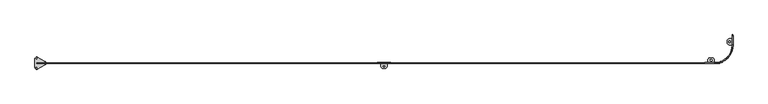
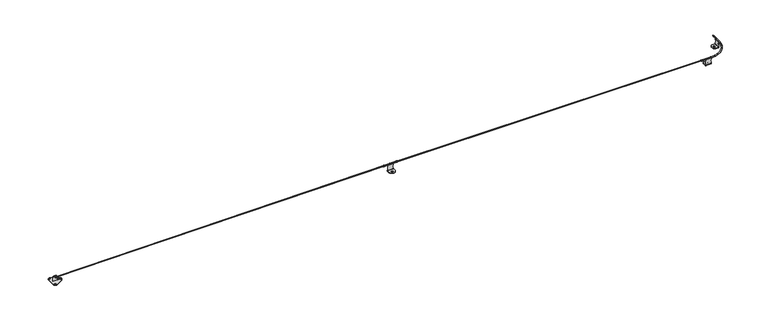
"""IFC4 building model written with IfcOpenShell, lengths in millimetres: proxy geometry."""

from ifc_helpers import new_model, si_unit, point, frame, frame_2d, origin, origin_with_axes, place, context, project, spatial, polyline, circle_curve, ellipse_curve, trimmed, segment, composite_curve, outline, extrude, source, transform, mapped, element, save
from ifc_brep_helpers import plane_surface, cylinder_surface, revolved_surface, extruded_surface, advanced_brep


def specialty_equipment_97768afd(model_context):
    return source(origin(), model_context, "Body", "SolidModel", [
        advanced_brep(
        [(8838.5, 362.0, 86.5), (8848.5, 362.0, 86.5), (8850.0, 350.0, 86.5), (8837.0, 350.0, 86.5), (8840.375, 350.0, 86.5), (8846.625, 350.0, 86.5), (8846.625, 362.0, 86.5), (8840.375, 362.0, 86.5)],
        [
            (0, 1, circle_curve(frame((8843.5, 362.0, 86.5), z_axis=(0.0, -1.0, 0.0), x_axis=(1.0, 0.0, 0.0)), 5.0)),
            (1, 2),
            (2, 3, circle_curve(frame((8843.5, 350.0, 86.5), z_axis=(0.0, 1.0, 0.0), x_axis=(1.0, 0.0, 0.0)), 6.5)),
            (3, 0),
            (4, 5, circle_curve(frame((8843.5, 350.0, 86.5), z_axis=(0.0, -1.0, 0.0), x_axis=(1.0, 0.0, 0.0)), 3.125)),
            (5, 6),
            (6, 7, circle_curve(frame((8843.5, 362.0, 86.5), z_axis=(0.0, 1.0, 0.0), x_axis=(1.0, 0.0, 0.0)), 3.125)),
            (7, 4),
            (2, 3, circle_curve(frame((8843.5, 350.0, 86.5), z_axis=(0.0, -1.0, 0.0), x_axis=(-1.0, 0.0, 0.0)), 6.5)),
            (4, 5, circle_curve(frame((8843.5, 350.0, 86.5), z_axis=(0.0, 1.0, 0.0), x_axis=(-1.0, 0.0, 0.0)), 3.125)),
            (1, 0, circle_curve(frame((8843.5, 362.0, 86.5), z_axis=(0.0, -1.0, 0.0), x_axis=(-1.0, 0.0, 0.0)), 5.0)),
            (6, 7, circle_curve(frame((8843.5, 362.0, 86.5), z_axis=(0.0, -1.0, 0.0), x_axis=(-1.0, 0.0, 0.0)), 3.125)),
        ],
        [
            revolved_surface(polyline([(8850.0, 350.0, 86.5), (8848.5, 362.0, 86.5)]), (8843.5, 350.0, 86.5), (0.0, 1.0, 0.0)),
            revolved_surface(polyline([(8846.625, 362.0, 86.5), (8846.625, 350.0, 86.5)]), (8843.5, 350.0, 86.5), (0.0, 1.0, 0.0)),
            plane_surface(frame((8843.5, 350.0, 86.5), z_axis=(0.0, -1.0, 0.0), x_axis=(-1.0, 0.0, 0.0))),
            revolved_surface(polyline([(8837.0, 350.0, 86.5), (8838.5, 362.0, 86.5)]), (8843.5, 350.0, 86.5), (0.0, 1.0, 0.0)),
            plane_surface(frame((8843.5, 362.0, 86.5), z_axis=(0.0, 1.0, 0.0), x_axis=(-1.0, 0.0, 0.0))),
            revolved_surface(polyline([(8840.375, 362.0, 86.5), (8840.375, 350.0, 86.5)]), (8843.5, 350.0, 86.5), (0.0, 1.0, 0.0)),
        ],
        [
            (0, [[1, 2, 3, 4]]),
            (1, [[5, 6, 7, 8]]),
            (2, [[9, -3], [10, -5]]),
            (3, [[11, -4, -9, -2]]),
            (4, [[-11, -1], [12, -7]]),
            (5, [[-10, -8, -12, -6]]),
        ],
    ),
        advanced_brep(
        [(8481.5, -5.0, 86.5), (8481.5, 5.0, 86.5), (8493.5, 6.5, 86.5), (8493.5, -6.5, 86.5), (8493.5, -3.125, 86.5), (8493.5, 3.125, 86.5), (8481.5, 3.125, 86.5), (8481.5, -3.125, 86.5)],
        [
            (0, 1, circle_curve(frame((8481.5, 0.0, 86.5), z_axis=(1.0, 0.0, 0.0), x_axis=(0.0, 1.0, 0.0)), 5.0)),
            (1, 2),
            (2, 3, circle_curve(frame((8493.5, 0.0, 86.5), z_axis=(-1.0, 0.0, 0.0), x_axis=(0.0, 1.0, 0.0)), 6.5)),
            (3, 0),
            (4, 5, circle_curve(frame((8493.5, 0.0, 86.5), z_axis=(1.0, 0.0, 0.0), x_axis=(0.0, 1.0, 0.0)), 3.125)),
            (5, 6),
            (6, 7, circle_curve(frame((8481.5, 0.0, 86.5), z_axis=(-1.0, 0.0, 0.0), x_axis=(0.0, 1.0, 0.0)), 3.125)),
            (7, 4),
            (2, 3, circle_curve(frame((8493.5, 0.0, 86.5), z_axis=(1.0, 0.0, 0.0), x_axis=(0.0, -1.0, 0.0)), 6.5)),
            (4, 5, circle_curve(frame((8493.5, 0.0, 86.5), z_axis=(-1.0, 0.0, 0.0), x_axis=(0.0, -1.0, 0.0)), 3.125)),
            (1, 0, circle_curve(frame((8481.5, 0.0, 86.5), z_axis=(1.0, 0.0, 0.0), x_axis=(0.0, -1.0, 0.0)), 5.0)),
            (6, 7, circle_curve(frame((8481.5, 0.0, 86.5), z_axis=(1.0, 0.0, 0.0), x_axis=(0.0, -1.0, 0.0)), 3.125)),
        ],
        [
            revolved_surface(polyline([(8493.5, 6.5, 86.5), (8481.5, 5.0, 86.5)]), (8493.5, 0.0, 86.5), (-1.0, 0.0, 0.0)),
            revolved_surface(polyline([(8481.5, 3.125, 86.5), (8493.5, 3.125, 86.5)]), (8493.5, 0.0, 86.5), (-1.0, 0.0, 0.0)),
            plane_surface(frame((8493.5, 0.0, 86.5), z_axis=(1.0, 0.0, 0.0), x_axis=(0.0, -1.0, 0.0))),
            revolved_surface(polyline([(8493.5, -6.5, 86.5), (8481.5, -5.0, 86.5)]), (8493.5, 0.0, 86.5), (-1.0, 0.0, 0.0)),
            plane_surface(frame((8481.5, 0.0, 86.5), z_axis=(-1.0, 0.0, 0.0), x_axis=(0.0, -1.0, 0.0))),
            revolved_surface(polyline([(8481.5, -3.125, 86.5), (8493.5, -3.125, 86.5)]), (8493.5, 0.0, 86.5), (-1.0, 0.0, 0.0)),
        ],
        [
            (0, [[1, 2, 3, 4]]),
            (1, [[5, 6, 7, 8]]),
            (2, [[9, -3], [10, -5]]),
            (3, [[11, -4, -9, -2]]),
            (4, [[-11, -1], [12, -7]]),
            (5, [[-10, -8, -12, -6]]),
        ],
    ),
        advanced_brep(
        [(8842.0, 312.3452378, 78.0), (8842.0, 312.3452378, 13.0), (8842.0, 312.3452378, 6.0), (8842.0, 232.3452378, 6.0), (8842.0, 232.3452378, 13.0), (8842.0, 232.3452378, 78.0), (8842.0, 232.3452378, 80.0), (8842.0, 312.3452378, 80.0), (8845.0, 312.3452378, 78.0), (8845.0, 312.3452378, 80.0), (8845.0, 232.3452378, 80.0), (8845.0, 232.3452378, 78.0), (8845.0, 232.3452378, 13.0), (8845.0, 232.3452378, 6.0), (8845.0, 312.3452378, 6.0), (8845.0, 312.3452378, 13.0), (8839.0, 312.3452378, 3.0), (8839.0, 312.3452378, 0.0), (8805.0, 312.3452378, 0.0), (8805.0, 312.3452378, 3.0), (8839.0, 232.3452378, 0.0), (8839.0, 232.3452378, 3.0), (8805.0, 232.3452378, 3.0), (8805.0, 232.3452378, 0.0), (8775.0, 262.3452378, 0.0), (8775.0, 282.3452378, 0.0), (8796.5, 276.8452378, 0.0), (8796.5, 267.8452378, 0.0), (8812.5, 267.8452378, 0.0), (8812.5, 276.8452378, 0.0), (8775.0, 282.3452378, 3.0), (8775.0, 262.3452378, 3.0), (8796.5, 276.8452378, 3.0), (8812.5, 276.8452378, 3.0), (8812.5, 267.8452378, 3.0), (8796.5, 267.8452378, 3.0)],
        [
            (0, 1, circle_curve(frame((8842.0, 374.3432216, 45.5), z_axis=(1.0, 0.0, 0.0), x_axis=(0.0, -1.0, 0.0)), 70.0)),
            (1, 2),
            (2, 3),
            (3, 4),
            (4, 5, circle_curve(frame((8842.0, 170.347254, 45.5), z_axis=(1.0, 0.0, 0.0), x_axis=(0.0, -1.0, 0.0)), 70.0)),
            (5, 6),
            (6, 7),
            (7, 0),
            (8, 9),
            (9, 10),
            (10, 11),
            (11, 12, circle_curve(frame((8845.0, 170.347254, 45.5), z_axis=(-1.0, 0.0, 0.0), x_axis=(0.0, -1.0, 0.0)), 70.0)),
            (12, 13),
            (13, 14),
            (14, 15),
            (15, 8, circle_curve(frame((8845.0, 374.3432216, 45.5), z_axis=(-1.0, 0.0, 0.0), x_axis=(0.0, -1.0, 0.0)), 70.0)),
            (0, 8),
            (15, 1),
            (4, 12),
            (11, 5),
            (10, 6),
            (9, 7),
            (16, 2, circle_curve(frame((8839.0, 312.3452378, 6.0), z_axis=(0.0, -1.0, 0.0), x_axis=(-1.0, 0.0, 0.0)), 3.0)),
            (14, 17, circle_curve(frame((8839.0, 312.3452378, 6.0), z_axis=(0.0, 1.0, 0.0), x_axis=(-1.0, 0.0, 0.0)), 6.0)),
            (17, 18),
            (18, 19),
            (19, 16),
            (20, 13, circle_curve(frame((8839.0, 232.3452378, 6.0), z_axis=(0.0, -1.0, 0.0), x_axis=(-1.0, 0.0, 0.0)), 6.0)),
            (3, 21, circle_curve(frame((8839.0, 232.3452378, 6.0), z_axis=(0.0, 1.0, 0.0), x_axis=(-1.0, 0.0, 0.0)), 3.0)),
            (21, 22),
            (22, 23),
            (23, 20),
            (16, 21),
            (20, 17),
            (23, 24, circle_curve(frame((8805.0, 262.3452378, 0.0), z_axis=(0.0, 0.0, -1.0), x_axis=(0.0, -1.0, 0.0)), 30.0)),
            (24, 25),
            (25, 18, circle_curve(frame((8805.0, 282.3452378, 0.0), z_axis=(0.0, 0.0, -1.0), x_axis=(0.0, -1.0, 0.0)), 30.0)),
            (26, 27),
            (27, 28, circle_curve(frame((8804.5, 267.8452378, 0.0), z_axis=(0.0, 0.0, 1.0), x_axis=(0.0, -1.0, 0.0)), 8.0)),
            (28, 29),
            (29, 26, circle_curve(frame((8804.5, 276.8452378, 0.0), z_axis=(0.0, 0.0, 1.0), x_axis=(0.0, -1.0, 0.0)), 8.0)),
            (19, 30, circle_curve(frame((8805.0, 282.3452378, 3.0), z_axis=(0.0, 0.0, 1.0), x_axis=(0.0, -1.0, 0.0)), 30.0)),
            (30, 31),
            (31, 22, circle_curve(frame((8805.0, 262.3452378, 3.0), z_axis=(0.0, 0.0, 1.0), x_axis=(0.0, -1.0, 0.0)), 30.0)),
            (32, 33, circle_curve(frame((8804.5, 276.8452378, 3.0), z_axis=(0.0, 0.0, -1.0), x_axis=(0.0, -1.0, 0.0)), 8.0)),
            (33, 34),
            (34, 35, circle_curve(frame((8804.5, 267.8452378, 3.0), z_axis=(0.0, 0.0, -1.0), x_axis=(0.0, -1.0, 0.0)), 8.0)),
            (35, 32),
            (31, 24),
            (30, 25),
            (35, 27),
            (26, 32),
            (34, 28),
            (33, 29),
        ],
        [
            plane_surface(frame((8842.0, 304.3432216, 45.5), z_axis=(-1.0, 0.0, 0.0), x_axis=(0.0, 0.0, -1.0))),
            plane_surface(frame((8845.0, 304.3432216, 45.5), z_axis=(1.0, 0.0, 0.0), x_axis=(0.0, 0.0, 1.0))),
            revolved_surface(polyline([(8845.0, 304.3432216, 45.5), (8842.0, 304.3432216, 45.5)]), (8845.0, 374.3432216, 45.5), (1.0, 0.0, 0.0)),
            revolved_surface(polyline([(8845.0, 100.34725399999999, 45.5), (8842.0, 100.34725399999999, 45.5)]), (8845.0, 170.347254, 45.5), (1.0, 0.0, 0.0)),
            plane_surface(frame((8842.0, 232.3452378, 78.0), z_axis=(0.0, -1.0, 0.0), x_axis=(1.0, 0.0, 0.0))),
            plane_surface(frame((8842.0, 232.3452378, 80.0), z_axis=(0.0, 0.0, 1.0), x_axis=(1.0, 0.0, 0.0))),
            plane_surface(frame((8842.0, 312.3452378, 80.0), z_axis=(0.0, 1.0, -4.307761123659114e-12), x_axis=(1.0, 0.0, 0.0))),
            plane_surface(frame((8836.0, 312.3452378, 6.0), z_axis=(0.0, 1.0, 0.0), x_axis=(0.0, 0.0, -1.0))),
            plane_surface(frame((8836.0, 232.3452378, 6.0), z_axis=(0.0, -1.0, 0.0), x_axis=(0.0, 0.0, 1.0))),
            revolved_surface(polyline([(8836.0, 232.3452378, 6.0), (8836.0, 312.3452378, 6.0)]), (8839.0, 232.3452378, 6.0), (0.0, -1.0, 0.0)),
            cylinder_surface(frame((8839.0, 232.3452378, 6.0), z_axis=(0.0, 1.0, 0.0), x_axis=(-1.0, 0.0, 0.0)), 6.0),
            plane_surface(frame((8839.0, 312.3452378, 0.0), z_axis=(0.0, 0.0, -1.0), x_axis=(0.0, -1.0, 0.0))),
            plane_surface(frame((8837.0, 312.3452378, 3.0), z_axis=(0.0, 0.0, 1.0), x_axis=(0.0, -1.0, 0.0))),
            cylinder_surface(frame((8805.0, 262.3452378, 0.0), z_axis=(0.0, 0.0, -1.0), x_axis=(0.0, -1.0, 0.0)), 30.0),
            plane_surface(frame((8775.0, 262.3452378, 0.0), z_axis=(-1.0, 0.0, 0.0), x_axis=(0.0, 0.0, 1.0))),
            cylinder_surface(frame((8805.0, 282.3452378, 0.0), z_axis=(0.0, 0.0, -1.0), x_axis=(0.0, -1.0, 0.0)), 30.0),
            plane_surface(frame((8796.5, 276.8452378, 0.0), z_axis=(1.0, 0.0, 0.0), x_axis=(0.0, 0.0, 1.0))),
            revolved_surface(polyline([(8804.5, 259.8452378, 3.0), (8804.5, 259.8452378, 0.0)]), (8804.5, 267.8452378, 0.0), (0.0, 0.0, 1.0)),
            plane_surface(frame((8812.5, 267.8452378, 0.0), z_axis=(-1.0, 0.0, 0.0), x_axis=(0.0, 0.0, 1.0))),
            revolved_surface(polyline([(8804.5, 268.8452378, 3.0), (8804.5, 268.8452378, 0.0)]), (8804.5, 276.8452378, 0.0), (0.0, 0.0, 1.0)),
        ],
        [
            (0, [[1, 2, 3, 4, 5, 6, 7, 8]]),
            (1, [[9, 10, 11, 12, 13, 14, 15, 16]]),
            (2, [[-1, 17, -16, 18]]),
            (3, [[-5, 19, -12, 20]]),
            (4, [[-6, -20, -11, 21]]),
            (5, [[-7, -21, -10, 22]]),
            (6, [[-8, -22, -9, -17]]),
            (7, [[23, -2, -18, -15, 24, 25, 26, 27]]),
            (8, [[28, -13, -19, -4, 29, 30, 31, 32]]),
            (9, [[-23, 33, -29, -3]]),
            (10, [[-24, -14, -28, 34]]),
            (11, [[-34, -32, 35, 36, 37, -25], [38, 39, 40, 41]]),
            (12, [[-33, -27, 42, 43, 44, -30], [45, 46, 47, 48]]),
            (13, [[-44, 49, -35, -31]]),
            (14, [[-43, 50, -36, -49]]),
            (15, [[-42, -26, -37, -50]]),
            (16, [[-48, 51, -38, 52]]),
            (17, [[-47, 53, -39, -51]]),
            (18, [[-46, 54, -40, -53]]),
            (19, [[-45, -52, -41, -54]]),
        ],
    ),
        advanced_brep(
        [(8531.1547622, 38.5, 0.0), (8561.1547622, 68.5, 0.0), (8581.1547622, 68.5, 0.0), (8611.1547622, 38.5, 0.0), (8611.1547622, 4.5, 0.0), (8531.1547622, 4.5, 0.0), (8566.6547622, 31.0, 0.0), (8575.6547622, 31.0, 0.0), (8575.6547622, 47.0, 0.0), (8566.6547622, 47.0, 0.0), (8611.1547622, 38.5, 3.0), (8581.1547622, 68.5, 3.0), (8561.1547622, 68.5, 3.0), (8531.1547622, 38.5, 3.0), (8531.1547622, 4.5, 3.0), (8611.1547622, 4.5, 3.0), (8566.6547622, 31.0, 3.0), (8566.6547622, 47.0, 3.0), (8575.6547622, 47.0, 3.0), (8575.6547622, 31.0, 3.0), (8531.1547622, -1.5, 6.0), (8531.1547622, -1.5, 13.0), (8531.1547622, 1.5, 13.0), (8531.1547622, 1.5, 6.0), (8611.1547622, 1.5, 6.0), (8611.1547622, 1.5, 13.0), (8611.1547622, -1.5, 13.0), (8611.1547622, -1.5, 6.0), (8531.1547622, 1.5, 78.0), (8531.1547622, 1.5, 80.0), (8611.1547622, 1.5, 80.0), (8611.1547622, 1.5, 78.0), (8611.1547622, -1.5, 78.0), (8611.1547622, -1.5, 80.0), (8531.1547622, -1.5, 80.0), (8531.1547622, -1.5, 78.0)],
        [
            (0, 1, circle_curve(frame((8561.1547622, 38.5, 0.0), z_axis=(0.0, 0.0, -1.0), x_axis=(0.0, -1.0, 0.0)), 30.0)),
            (1, 2),
            (2, 3, circle_curve(frame((8581.1547622, 38.5, 0.0), z_axis=(0.0, 0.0, -1.0), x_axis=(0.0, -1.0, 0.0)), 30.0)),
            (3, 4),
            (4, 5),
            (5, 0),
            (6, 7),
            (7, 8, circle_curve(frame((8575.6547622, 39.0, 0.0), z_axis=(0.0, 0.0, 1.0), x_axis=(0.0, -1.0, 0.0)), 8.0)),
            (8, 9),
            (9, 6, circle_curve(frame((8566.6547622, 39.0, 0.0), z_axis=(0.0, 0.0, 1.0), x_axis=(0.0, -1.0, 0.0)), 8.0)),
            (10, 11, circle_curve(frame((8581.1547622, 38.5, 3.0), z_axis=(0.0, 0.0, 1.0), x_axis=(0.0, -1.0, 0.0)), 30.0)),
            (11, 12),
            (12, 13, circle_curve(frame((8561.1547622, 38.5, 3.0), z_axis=(0.0, 0.0, 1.0), x_axis=(0.0, -1.0, 0.0)), 30.0)),
            (13, 14),
            (14, 15),
            (15, 10),
            (16, 17, circle_curve(frame((8566.6547622, 39.0, 3.0), z_axis=(0.0, 0.0, -1.0), x_axis=(0.0, -1.0, 0.0)), 8.0)),
            (17, 18),
            (18, 19, circle_curve(frame((8575.6547622, 39.0, 3.0), z_axis=(0.0, 0.0, -1.0), x_axis=(0.0, -1.0, 0.0)), 8.0)),
            (19, 16),
            (13, 0),
            (5, 20, circle_curve(frame((8531.1547622, 4.5, 6.0), z_axis=(-1.0, 0.0, 0.0), x_axis=(0.0, 1.0, 0.0)), 6.0)),
            (20, 21),
            (21, 22),
            (22, 23),
            (23, 14, circle_curve(frame((8531.1547622, 4.5, 6.0), z_axis=(1.0, 0.0, 0.0), x_axis=(0.0, 1.0, 0.0)), 3.0)),
            (12, 1),
            (11, 2),
            (10, 3),
            (15, 24, circle_curve(frame((8611.1547622, 4.5, 6.0), z_axis=(-1.0, 0.0, 0.0), x_axis=(0.0, 1.0, 0.0)), 3.0)),
            (24, 25),
            (25, 26),
            (26, 27),
            (27, 4, circle_curve(frame((8611.1547622, 4.5, 6.0), z_axis=(1.0, 0.0, 0.0), x_axis=(0.0, 1.0, 0.0)), 6.0)),
            (19, 7),
            (6, 16),
            (18, 8),
            (17, 9),
            (23, 24),
            (22, 28, circle_curve(frame((8469.1567784, 1.5, 45.5), z_axis=(0.0, -1.0, 0.0), x_axis=(-1.0, 0.0, 0.0)), 70.0)),
            (28, 29),
            (29, 30),
            (30, 31),
            (31, 25, circle_curve(frame((8673.152746, 1.5, 45.5), z_axis=(0.0, -1.0, 0.0), x_axis=(-1.0, 0.0, 0.0)), 70.0)),
            (26, 32, circle_curve(frame((8673.152746, -1.5, 45.5), z_axis=(0.0, 1.0, 0.0), x_axis=(-1.0, 0.0, 0.0)), 70.0)),
            (32, 33),
            (33, 34),
            (34, 35),
            (35, 21, circle_curve(frame((8469.1567784, -1.5, 45.5), z_axis=(0.0, 1.0, 0.0), x_axis=(-1.0, 0.0, 0.0)), 70.0)),
            (20, 27),
            (31, 32),
            (35, 28),
            (34, 29),
            (33, 30),
        ],
        [
            plane_surface(frame((8839.0, 312.3452378, 0.0), z_axis=(0.0, 0.0, -1.0), x_axis=(0.0, -1.0, 0.0))),
            plane_surface(frame((8837.0, 312.3452378, 3.0), z_axis=(0.0, 0.0, 1.0), x_axis=(0.0, -1.0, 0.0))),
            plane_surface(frame((8531.1547622, 6.5, 0.0), z_axis=(-1.0, 0.0, 0.0), x_axis=(0.0, 0.0, 1.0))),
            cylinder_surface(frame((8561.1547622, 38.5, 3.0), z_axis=(0.0, 0.0, -1.0), x_axis=(0.0, -1.0, 0.0)), 30.0),
            plane_surface(frame((8561.1547622, 68.5, 0.0), z_axis=(0.0, 1.0, 0.0), x_axis=(0.0, 0.0, 1.0))),
            cylinder_surface(frame((8581.1547622, 38.5, 3.0), z_axis=(0.0, 0.0, -1.0), x_axis=(0.0, -1.0, 0.0)), 30.0),
            plane_surface(frame((8611.1547622, 38.5, 0.0), z_axis=(1.0, 0.0, 0.0), x_axis=(0.0, 0.0, 1.0))),
            plane_surface(frame((8566.6547622, 31.0, 0.0), z_axis=(0.0, 1.0, 0.0), x_axis=(0.0, 0.0, 1.0))),
            revolved_surface(polyline([(8575.6547622, 31.0, 3.0), (8575.6547622, 31.0, 0.0)]), (8575.6547622, 39.0, 0.0), (0.0, 0.0, 1.0)),
            plane_surface(frame((8575.6547622, 47.0, 0.0), z_axis=(0.0, -1.0, 0.0), x_axis=(0.0, 0.0, 1.0))),
            revolved_surface(polyline([(8566.6547622, 31.0, 3.0), (8566.6547622, 31.0, 0.0)]), (8566.6547622, 39.0, 0.0), (0.0, 0.0, 1.0)),
            revolved_surface(polyline([(8531.1547622, 7.5, 6.0), (8611.1547622, 7.5, 6.0)]), (8531.1547622, 4.5, 6.0), (-1.0, 0.0, 0.0)),
            plane_surface(frame((8611.1547622, 1.5, 6.0), z_axis=(0.0, 1.0, 0.0), x_axis=(-1.0, 0.0, 0.0))),
            plane_surface(frame((8611.1547622, -1.5, 13.0), z_axis=(0.0, -1.0, 0.0), x_axis=(-1.0, 0.0, 0.0))),
            cylinder_surface(frame((8531.1547622, 4.5, 6.0), z_axis=(1.0, 0.0, 0.0), x_axis=(0.0, 1.0, 0.0)), 6.0),
            revolved_surface(polyline([(8603.152746, -1.5, 45.5), (8603.152746, 1.5, 45.5)]), (8673.152746, -1.5, 45.5), (0.0, -1.0, 0.0)),
            revolved_surface(polyline([(8399.1567784, -1.5, 45.5), (8399.1567784, 1.5, 45.5)]), (8469.1567784, -1.5, 45.5), (0.0, -1.0, 0.0)),
            plane_surface(frame((8531.1547622, 1.5, 78.0), z_axis=(-1.0, 0.0, 0.0), x_axis=(0.0, -1.0, 0.0))),
            plane_surface(frame((8531.1547622, 1.5, 80.0), z_axis=(0.0, 0.0, 1.0), x_axis=(0.0, -1.0, 0.0))),
            plane_surface(frame((8611.1547622, 1.5, 80.0), z_axis=(1.0, 0.0, 0.0), x_axis=(0.0, -1.0, 0.0))),
        ],
        [
            (0, [[1, 2, 3, 4, 5, 6], [7, 8, 9, 10]]),
            (1, [[11, 12, 13, 14, 15, 16], [17, 18, 19, 20]]),
            (2, [[21, -6, 22, 23, 24, 25, 26, -14]]),
            (3, [[-13, 27, -1, -21]]),
            (4, [[-12, 28, -2, -27]]),
            (5, [[-11, 29, -3, -28]]),
            (6, [[-29, -16, 30, 31, 32, 33, 34, -4]]),
            (7, [[-20, 35, -7, 36]]),
            (8, [[-19, 37, -8, -35]]),
            (9, [[-18, 38, -9, -37]]),
            (10, [[-17, -36, -10, -38]]),
            (11, [[-30, -15, -26, 39]]),
            (12, [[-31, -39, -25, 40, 41, 42, 43, 44]]),
            (13, [[-33, 45, 46, 47, 48, 49, -23, 50]]),
            (14, [[-34, -50, -22, -5]]),
            (15, [[-44, 51, -45, -32]]),
            (16, [[-40, -24, -49, 52]]),
            (17, [[-41, -52, -48, 53]]),
            (18, [[-42, -53, -47, 54]]),
            (19, [[-43, -54, -46, -51]]),
        ],
    ),
        advanced_brep(
        [(8493.5, -6.5, 86.5), (8493.5, 6.5, 86.5), (8493.5, -5.0, 86.5), (8493.5, 5.0, 86.5), (8613.5, -6.5, 86.5), (8613.5, 6.5, 86.5), (8613.5, -5.0, 86.5), (8613.5, 5.0, 86.5), (8837.0, 230.0, 86.5), (8850.0, 230.0, 86.5), (8838.5, 230.0, 86.5), (8848.5, 230.0, 86.5), (8850.0, 350.0, 86.5), (8837.0, 350.0, 86.5), (8848.5, 350.0, 86.5), (8838.5, 350.0, 86.5)],
        [
            (0, 1, circle_curve(frame((8493.5, 0.0, 86.5), z_axis=(-1.0, 0.0, 0.0), x_axis=(0.0, 1.0, 0.0)), 6.5)),
            (1, 0, circle_curve(frame((8493.5, 0.0, 86.5), z_axis=(-1.0, 0.0, 0.0), x_axis=(0.0, 1.0, 0.0)), 6.5)),
            (2, 3, circle_curve(frame((8493.5, 0.0, 86.5), z_axis=(1.0, 0.0, 0.0), x_axis=(0.0, 1.0, 0.0)), 5.0)),
            (3, 2, circle_curve(frame((8493.5, 0.0, 86.5), z_axis=(1.0, 0.0, 0.0), x_axis=(0.0, 1.0, 0.0)), 5.0)),
            (0, 4),
            (4, 5, circle_curve(frame((8613.5, 0.0, 86.5), z_axis=(-1.0, 0.0, 0.0), x_axis=(0.0, 1.0, 0.0)), 6.5)),
            (5, 1),
            (5, 4, circle_curve(frame((8613.5, 0.0, 86.5), z_axis=(-1.0, 0.0, 0.0), x_axis=(0.0, 1.0, 0.0)), 6.5)),
            (2, 6),
            (6, 7, circle_curve(frame((8613.5, 0.0, 86.5), z_axis=(1.0, 0.0, 0.0), x_axis=(0.0, 1.0, 0.0)), 5.0)),
            (7, 3),
            (7, 6, circle_curve(frame((8613.5, 0.0, 86.5), z_axis=(1.0, 0.0, 0.0), x_axis=(0.0, 1.0, 0.0)), 5.0)),
            (8, 5, circle_curve(frame((8613.5, 230.0, 86.5), z_axis=(0.0, 0.0, -1.0), x_axis=(0.0, -1.0, 0.0)), 223.5)),
            (4, 9, circle_curve(frame((8613.5, 230.0, 86.5), z_axis=(0.0, 0.0, 1.0), x_axis=(0.0, -1.0, 0.0)), 236.5)),
            (9, 8, circle_curve(frame((8843.5, 230.0, 86.5), z_axis=(0.0, -1.0, 0.0), x_axis=(-1.0, 0.0, 0.0)), 6.5)),
            (8, 9, circle_curve(frame((8843.5, 230.0, 86.5), z_axis=(0.0, -1.0, 0.0), x_axis=(-1.0, 0.0, 0.0)), 6.5)),
            (10, 7, circle_curve(frame((8613.5, 230.0, 86.5), z_axis=(0.0, 0.0, -1.0), x_axis=(0.0, -1.0, 0.0)), 225.0)),
            (6, 11, circle_curve(frame((8613.5, 230.0, 86.5), z_axis=(0.0, 0.0, 1.0), x_axis=(0.0, -1.0, 0.0)), 235.0)),
            (11, 10, circle_curve(frame((8843.5, 230.0, 86.5), z_axis=(0.0, 1.0, 0.0), x_axis=(-1.0, 0.0, 0.0)), 5.0)),
            (10, 11, circle_curve(frame((8843.5, 230.0, 86.5), z_axis=(0.0, 1.0, 0.0), x_axis=(-1.0, 0.0, 0.0)), 5.0)),
            (12, 13, circle_curve(frame((8843.5, 350.0, 86.5), z_axis=(0.0, 1.0, 0.0), x_axis=(-1.0, 0.0, 0.0)), 6.5)),
            (13, 12, circle_curve(frame((8843.5, 350.0, 86.5), z_axis=(0.0, 1.0, 0.0), x_axis=(-1.0, 0.0, 0.0)), 6.5)),
            (14, 15, circle_curve(frame((8843.5, 350.0, 86.5), z_axis=(0.0, -1.0, 0.0), x_axis=(-1.0, 0.0, 0.0)), 5.0)),
            (15, 14, circle_curve(frame((8843.5, 350.0, 86.5), z_axis=(0.0, -1.0, 0.0), x_axis=(-1.0, 0.0, 0.0)), 5.0)),
            (9, 12),
            (13, 8),
            (11, 14),
            (15, 10),
        ],
        [
            plane_surface(frame((8493.5, -6.5, 0.0), z_axis=(-1.0, 0.0, 0.0), x_axis=(0.0, 0.0, 1.0))),
            cylinder_surface(frame((8493.5, 0.0, 86.5), z_axis=(-1.0, 0.0, 0.0), x_axis=(0.0, 1.0, 0.0)), 6.5),
            revolved_surface(polyline([(8613.5, 5.0, 86.5), (8493.5, 5.0, 86.5)]), (8493.5, 0.0, 86.5), (1.0, 0.0, 0.0)),
            revolved_surface(trimmed(ellipse_curve(frame((8613.5, 0.0, 86.5), z_axis=(-1.0, 0.0, 0.0), x_axis=(0.0, 1.0, 0.0)), 6.5, 6.5), [point((8613.5, -6.5, 86.5))], [point((8613.5, 6.5, 86.5))], True, "CARTESIAN"), (8613.5, 230.0, 0.0), (0.0, 0.0, 1.0)),
            revolved_surface(trimmed(ellipse_curve(frame((8613.5, 0.0, 86.5), z_axis=(-1.0, 0.0, 0.0), x_axis=(0.0, 1.0, 0.0)), 6.5, 6.5), [point((8613.5, 6.5, 86.5))], [point((8613.5, -6.5, 86.5))], True, "CARTESIAN"), (8613.5, 230.0, 0.0), (0.0, 0.0, 1.0)),
            revolved_surface(trimmed(ellipse_curve(frame((8613.5, 0.0, 86.5), z_axis=(1.0, 0.0, 0.0), x_axis=(0.0, 1.0, 0.0)), 5.0, 5.0), [point((8613.5, -5.0, 86.5))], [point((8613.5, 5.0, 86.5))], True, "CARTESIAN"), (8613.5, 230.0, 0.0), (0.0, 0.0, 1.0)),
            revolved_surface(trimmed(ellipse_curve(frame((8613.5, 0.0, 86.5), z_axis=(1.0, 0.0, 0.0), x_axis=(0.0, 1.0, 0.0)), 5.0, 5.0), [point((8613.5, 5.0, 86.5))], [point((8613.5, -5.0, 86.5))], True, "CARTESIAN"), (8613.5, 230.0, 0.0), (0.0, 0.0, 1.0)),
            plane_surface(frame((8850.0, 350.0, 0.0), z_axis=(0.0, 1.0, 0.0), x_axis=(0.0, 0.0, 1.0))),
            cylinder_surface(frame((8843.5, 230.0, 86.5), z_axis=(0.0, -1.0, 0.0), x_axis=(-1.0, 0.0, 0.0)), 6.5),
            revolved_surface(polyline([(8838.5, 350.0, 86.5), (8838.5, 230.0, 86.5)]), (8843.5, 230.0, 86.5), (0.0, 1.0, 0.0)),
        ],
        [
            (0, [[1, 2], [3, 4]]),
            (1, [[-1, 5, 6, 7]]),
            (1, [[-2, -7, 8, -5]]),
            (2, [[-3, 9, 10, 11]]),
            (2, [[-4, -11, 12, -9]]),
            (3, [[13, -6, 14, 15]]),
            (4, [[-14, -8, -13, 16]]),
            (5, [[17, -10, 18, 19]]),
            (6, [[-18, -12, -17, 20]]),
            (7, [[21, 22], [23, 24]]),
            (8, [[-15, 25, -22, 26]]),
            (8, [[-16, -26, -21, -25]]),
            (9, [[-19, 27, -24, 28]]),
            (9, [[-20, -28, -23, -27]]),
        ],
    ),
        extrude(outline(composite_curve([segment(trimmed(circle_curve(frame_2d((5.7533535, 93.5280064)), 13.4406143), [point((6.0, 106.9663575))], [point((18.3141191, 98.3110266))], False, "CARTESIAN"), True, "CONTINUOUS"), segment(polyline([(18.3141191, 98.3110266), (24.8874766, 81.0486273)]), True, "CONTINUOUS"), segment(trimmed(circle_curve(frame_2d((34.2328572, 84.6072594)), 10.0), [point((24.8874766, 81.0486273))], [point((40.5782653, 76.8783659))], True, "CARTESIAN"), True, "CONTINUOUS"), segment(trimmed(circle_curve(frame_2d((52.0, 62.9663575)), 18.0), [point((40.5782653, 76.8783659))], [point((70.0, 62.9663575))], False, "CARTESIAN"), True, "CONTINUOUS"), segment(polyline([(70.0, 62.9663575), (70.0, 35.9663575)]), True, "CONTINUOUS"), segment(trimmed(circle_curve(frame_2d((57.0, 35.9663575)), 13.0), [point((70.0, 35.9663575))], [point((57.0, 22.9663575))], False, "CARTESIAN"), True, "CONTINUOUS"), segment(polyline([(57.0, 22.9663575), (6.0, 22.9663575), (6.0, 106.9663575)]), True, "CONTINUOUS")], self_intersect=False), holes=[composite_curve([segment(polyline([(44.4243022, 66.8881977), (44.4243022, 58.8881977)]), True, "CONTINUOUS"), segment(trimmed(circle_curve(frame_2d((52.4243022, 58.8881977)), 8.0), [point((44.4243022, 58.8881977))], [point((60.4243022, 58.8881977))], True, "CARTESIAN"), True, "CONTINUOUS"), segment(polyline([(60.4243022, 58.8881977), (60.4243022, 66.8881977)]), True, "CONTINUOUS"), segment(trimmed(circle_curve(frame_2d((52.4243022, 66.8881977)), 8.0), [point((60.4243022, 66.8881977))], [point((44.4243022, 66.8881977))], True, "CARTESIAN"), True, "CONTINUOUS")], self_intersect=False)]), frame((0.0, -3.0129633, 0.0), z_axis=(0.0, 1.0, 0.0), x_axis=(0.0, 0.0, 1.0)), (0.0, 0.0, 1.0), 6.0),
        extrude(outline(composite_curve([segment(trimmed(circle_curve(frame_2d((24.4591554, 53.0561298)), 24.5), [point((-0.0408446, 53.0561298))], [point((36.6539507, 74.305529))], False, "CARTESIAN"), True, "CONTINUOUS"), segment(polyline([(36.6539507, 74.305529), (127.0066589, 22.4531082)]), True, "CONTINUOUS"), segment(trimmed(circle_curve(frame_2d((114.1524138, 0.0546197)), 25.8248698), [point((127.0066589, 22.4531082))], [point((127.1229513, -22.2767273))], False, "CARTESIAN"), True, "CONTINUOUS"), segment(polyline([(127.1229513, -22.2767273), (37.8158521, -74.1482548)]), True, "CONTINUOUS"), segment(trimmed(circle_curve(frame_2d((25.1591554, -52.3572469)), 25.2), [point((37.8158521, -74.1482548))], [point((-0.0408446, -52.3572469))], False, "CARTESIAN"), True, "CONTINUOUS"), segment(polyline([(-0.0408446, -52.3572469), (-0.0408446, 53.0561298)]), True, "CONTINUOUS")], self_intersect=False), holes=[composite_curve([segment(trimmed(circle_curve(frame_2d((126.2500924, -0.0129633)), 8.0), [point((126.2500924, 7.9870367))], [point((126.2500924, -8.0129633))], True, "CARTESIAN"), True, "CONTINUOUS"), segment(trimmed(circle_curve(frame_2d((126.2500924, -0.0129633)), 8.0), [point((126.2500924, -8.0129633))], [point((126.2500924, 7.9870367))], True, "CARTESIAN"), True, "CONTINUOUS")], self_intersect=False), composite_curve([segment(trimmed(circle_curve(frame_2d((17.2950526, -63.2964469)), 8.0), [point((17.2950526, -55.2964469))], [point((17.2950526, -71.2964469))], True, "CARTESIAN"), True, "CONTINUOUS"), segment(trimmed(circle_curve(frame_2d((17.2950526, -63.2964469)), 8.0), [point((17.2950526, -71.2964469))], [point((17.2950526, -55.2964469))], True, "CARTESIAN"), True, "CONTINUOUS")], self_intersect=False), composite_curve([segment(trimmed(circle_curve(frame_2d((17.2950526, 63.2705204)), 8.0), [point((17.2950526, 71.2705204))], [point((17.2950526, 55.2705204))], True, "CARTESIAN"), True, "CONTINUOUS"), segment(trimmed(circle_curve(frame_2d((17.2950526, 63.2705204)), 8.0), [point((17.2950526, 55.2705204))], [point((17.2950526, 71.2705204))], True, "CARTESIAN"), True, "CONTINUOUS")], self_intersect=False)]), origin_with_axes(), (0.0, 0.0, 1.0), 6.0),
        advanced_brep(
        [(4465.0, -1.5, 0.0), (4465.0, 1.5, 3.0), (4465.0, 1.5, 6.0), (4465.0, -1.5, 6.0), (4465.0, -4.5, 3.0), (4465.0, -38.5, 3.0), (4465.0, -38.5, 0.0), (4465.0, 1.5, 73.6941216), (4465.0, 1.6809221, 74.720182), (4465.0, 3.6555353, 81.5191259), (4465.0, -4.1555353, 81.9264186), (4465.0, -1.6809221, 74.720182), (4465.0, -1.5, 73.6941216), (4385.0, -4.5, 3.0), (4385.0, -1.5, 6.0), (4385.0, 1.5, 6.0), (4385.0, 1.5, 3.0), (4385.0, -1.5, 0.0), (4385.0, -38.5, 0.0), (4385.0, -38.5, 3.0), (4385.0, -1.5, 73.6941216), (4385.0, -1.6809221, 74.720182), (4385.0, -4.1555353, 81.9264186), (4385.0, 3.6555353, 81.5191259), (4385.0, 1.6809221, 74.720182), (4385.0, 1.5, 73.6941216), (4415.0, -68.5, 3.0), (4435.0, -68.5, 3.0), (4425.0, -50.1378375, 3.0), (4420.5, -50.1378375, 3.0), (4420.5, -34.1378375, 3.0), (4425.0, -34.1378375, 3.0), (4429.5, -34.1378375, 3.0), (4429.5, -50.1378375, 3.0), (4415.0, -68.5, 0.0), (4435.0, -68.5, 0.0), (4420.5, -50.1378375, 0.0), (4425.0, -50.1378375, 0.0), (4429.5, -50.1378375, 0.0), (4429.5, -34.1378375, 0.0), (4425.0, -34.1378375, 0.0), (4420.5, -34.1378375, 0.0)],
        [
            (0, 1, circle_curve(frame((4465.0, -1.5, 3.0), z_axis=(1.0, 0.0, 0.0), x_axis=(0.0, 1.0, 0.0)), 3.0)),
            (1, 2),
            (2, 3),
            (3, 4, circle_curve(frame((4465.0, -4.5, 6.0), z_axis=(-1.0, 0.0, 0.0), x_axis=(0.0, 1.0, 0.0)), 3.0)),
            (4, 5),
            (5, 6),
            (6, 0),
            (7, 8, circle_curve(frame((4465.0, 4.5, 73.6941216), z_axis=(-1.0, 0.0, 0.0), x_axis=(0.0, 1.0, 0.0)), 3.0)),
            (8, 9),
            (9, 10, circle_curve(frame((4465.0, 0.0, 86.5172781), z_axis=(-1.0, 0.0, 0.0), x_axis=(0.0, 1.0, 0.0)), 6.1922907)),
            (10, 11),
            (11, 12, circle_curve(frame((4465.0, -4.5, 73.6941216), z_axis=(-1.0, 0.0, 0.0), x_axis=(0.0, 1.0, 0.0)), 3.0)),
            (12, 7),
            (13, 14, circle_curve(frame((4385.0, -4.5, 6.0), z_axis=(1.0, 0.0, 0.0), x_axis=(0.0, 1.0, 0.0)), 3.0)),
            (14, 15),
            (15, 16),
            (16, 17, circle_curve(frame((4385.0, -1.5, 3.0), z_axis=(-1.0, 0.0, 0.0), x_axis=(0.0, 1.0, 0.0)), 3.0)),
            (17, 18),
            (18, 19),
            (19, 13),
            (20, 21, circle_curve(frame((4385.0, -4.5, 73.6941216), z_axis=(1.0, 0.0, 0.0), x_axis=(0.0, 1.0, 0.0)), 3.0)),
            (21, 22),
            (22, 23, circle_curve(frame((4385.0, 0.0, 86.5172781), z_axis=(1.0, 0.0, 0.0), x_axis=(0.0, 1.0, 0.0)), 6.1922907)),
            (23, 24),
            (24, 25, circle_curve(frame((4385.0, 4.5, 73.6941216), z_axis=(1.0, 0.0, 0.0), x_axis=(0.0, 1.0, 0.0)), 3.0)),
            (25, 20),
            (0, 17),
            (16, 1),
            (15, 25, circle_curve(frame((4323.7270331, 1.5, 39.8470608), z_axis=(0.0, -1.0, 0.0), x_axis=(0.0, 0.0, 1.0)), 70.0)),
            (25, 7),
            (7, 2, circle_curve(frame((4526.2729669, 1.5, 39.8470608), z_axis=(0.0, -1.0, 0.0), x_axis=(0.0, 0.0, 1.0)), 70.0)),
            (3, 14),
            (13, 4),
            (19, 26, circle_curve(frame((4415.0, -38.5, 3.0), z_axis=(0.0, 0.0, 1.0), x_axis=(1.0, 0.0, 0.0)), 30.0)),
            (26, 27),
            (27, 5, circle_curve(frame((4435.0, -38.5, 3.0), z_axis=(0.0, 0.0, 1.0), x_axis=(1.0, 0.0, 0.0)), 30.0)),
            (28, 29),
            (29, 30, circle_curve(frame((4420.5, -42.1378375, 3.0), z_axis=(0.0, 0.0, -1.0), x_axis=(0.0, -1.0, 0.0)), 8.0)),
            (30, 31),
            (31, 32),
            (32, 33, circle_curve(frame((4429.5, -42.1378375, 3.0), z_axis=(0.0, 0.0, -1.0), x_axis=(0.0, -1.0, 0.0)), 8.0)),
            (33, 28),
            (26, 34),
            (34, 35),
            (35, 27),
            (6, 35, circle_curve(frame((4435.0, -38.5, 0.0), z_axis=(0.0, 0.0, -1.0), x_axis=(1.0, 0.0, 0.0)), 30.0)),
            (34, 18, circle_curve(frame((4415.0, -38.5, 0.0), z_axis=(0.0, 0.0, -1.0), x_axis=(1.0, 0.0, 0.0)), 30.0)),
            (36, 37),
            (37, 38),
            (38, 39, circle_curve(frame((4429.5, -42.1378375, 0.0), z_axis=(0.0, 0.0, 1.0), x_axis=(0.0, -1.0, 0.0)), 8.0)),
            (39, 40),
            (40, 41),
            (41, 36, circle_curve(frame((4420.5, -42.1378375, 0.0), z_axis=(0.0, 0.0, 1.0), x_axis=(0.0, -1.0, 0.0)), 8.0)),
            (3, 12, circle_curve(frame((4526.2729669, -1.5, 39.8470608), z_axis=(0.0, 1.0, 0.0), x_axis=(0.0, 0.0, 1.0)), 70.0)),
            (12, 20),
            (20, 14, circle_curve(frame((4323.7270331, -1.5, 39.8470608), z_axis=(0.0, 1.0, 0.0), x_axis=(0.0, 0.0, 1.0)), 70.0)),
            (8, 24),
            (23, 9),
            (22, 10),
            (21, 11),
            (28, 37),
            (36, 29),
            (33, 38),
            (32, 39),
            (31, 40),
            (30, 41),
        ],
        [
            plane_surface(frame((4465.0, 1.5, 3.0), z_axis=(1.0, 0.0, 0.0), x_axis=(0.0, 0.0, 1.0))),
            plane_surface(frame((4385.0, 1.5, 3.0), z_axis=(-1.0, 0.0, 0.0), x_axis=(0.0, 0.0, -1.0))),
            cylinder_surface(frame((4385.0, -1.5, 3.0), z_axis=(1.0, 0.0, 0.0), x_axis=(0.0, 1.0, 0.0)), 3.0),
            plane_surface(frame((4465.0, 1.5, 3.0), z_axis=(0.0, 1.0, 0.0), x_axis=(-1.0, 0.0, 0.0))),
            revolved_surface(polyline([(4385.0, -1.5, 6.0), (4465.0, -1.5, 6.0)]), (4385.0, -4.5, 6.0), (-1.0, 0.0, 0.0)),
            plane_surface(frame((4465.0, -4.5, 3.0), z_axis=(0.0, 0.0, 1.0), x_axis=(-1.0, 0.0, 0.0))),
            plane_surface(frame((4465.0, -68.5, 3.0), z_axis=(0.0, -1.0, -3.3005084463598604e-12), x_axis=(-1.0, 0.0, 0.0))),
            plane_surface(frame((4465.0, -68.5, 0.0), z_axis=(0.0, 0.0, -1.0), x_axis=(-1.0, 0.0, 0.0))),
            plane_surface(frame((4465.0, -1.5, 73.6941216), z_axis=(0.0, -1.0, 0.0), x_axis=(-1.0, 0.0, 0.0))),
            plane_surface(frame((4465.0, 1.6809221, 74.720182), z_axis=(0.0, 0.9603187556319047, -0.2789048002125278), x_axis=(-1.0, 0.0, 0.0))),
            revolved_surface(polyline([(4385.0, 6.1922907, 86.5172781), (4465.0, 6.1922907, 86.5172781)]), (4385.0, 0.0, 86.5172781), (-1.0, 0.0, 0.0)),
            plane_surface(frame((4465.0, -4.1555353, 81.9264186), z_axis=(0.0, -0.9457886598189049, -0.32478271345310217), x_axis=(-1.0, 0.0, 0.0))),
            revolved_surface(polyline([(4385.0, 7.5, 73.6941216), (4465.0, 7.5, 73.6941216)]), (4385.0, 4.5, 73.6941216), (-1.0, 0.0, 0.0)),
            revolved_surface(polyline([(4385.0, -1.5, 73.6941216), (4465.0, -1.5, 73.6941216)]), (4385.0, -4.5, 73.6941216), (-1.0, 0.0, 0.0)),
            revolved_surface(polyline([(4323.7270331, 1.5, 109.84706080000001), (4323.7270331, -1.5, 109.84706080000001)]), (4323.7270331, -1.5, 39.8470608), (0.0, 1.0, 0.0)),
            revolved_surface(polyline([(4526.2729669, 1.5, 109.84706080000001), (4526.2729669, -1.5, 109.84706080000001)]), (4526.2729669, -1.5, 39.8470608), (0.0, 1.0, 0.0)),
            cylinder_surface(frame((4415.0, -38.5, 3.0), z_axis=(0.0, 0.0, 1.0), x_axis=(1.0, 0.0, 0.0)), 30.0),
            cylinder_surface(frame((4435.0, -38.5, 3.0), z_axis=(0.0, 0.0, 1.0), x_axis=(1.0, 0.0, 0.0)), 30.0),
            plane_surface(frame((4420.5, -50.1378375, 3.0), z_axis=(0.0, 1.0, 0.0), x_axis=(0.0, 0.0, -1.0))),
            plane_surface(frame((4425.0, -50.1378375, 3.0), z_axis=(0.0, 1.0, 0.0), x_axis=(0.0, 0.0, -1.0))),
            revolved_surface(polyline([(4429.5, -50.1378375, 3.0), (4429.5, -50.1378375, 0.0)]), (4429.5, -42.1378375, 0.0), (0.0, 0.0, 1.0)),
            plane_surface(frame((4429.5, -34.1378375, 3.0), z_axis=(0.0, -1.0, 0.0), x_axis=(0.0, 0.0, -1.0))),
            plane_surface(frame((4425.0, -34.1378375, 3.0), z_axis=(0.0, -1.0, 0.0), x_axis=(0.0, 0.0, -1.0))),
            revolved_surface(polyline([(4420.5, -50.1378375, 3.0), (4420.5, -50.1378375, 0.0)]), (4420.5, -42.1378375, 0.0), (0.0, 0.0, 1.0)),
        ],
        [
            (0, [[1, 2, 3, 4, 5, 6, 7]]),
            (0, [[8, 9, 10, 11, 12, 13]]),
            (1, [[14, 15, 16, 17, 18, 19, 20]]),
            (1, [[21, 22, 23, 24, 25, 26]]),
            (2, [[-1, 27, -17, 28]]),
            (3, [[-28, -16, 29, 30, 31, -2]]),
            (4, [[-4, 32, -14, 33]]),
            (5, [[-33, -20, 34, 35, 36, -5], [37, 38, 39, 40, 41, 42]]),
            (6, [[-35, 43, 44, 45]]),
            (7, [[-27, -7, 46, -44, 47, -18], [48, 49, 50, 51, 52, 53]]),
            (8, [[-32, 54, 55, 56]]),
            (9, [[-9, 57, -24, 58]]),
            (10, [[-10, -58, -23, 59]]),
            (11, [[-11, -59, -22, 60]]),
            (12, [[-8, -30, -25, -57]]),
            (13, [[-12, -60, -21, -55]]),
            (14, [[-15, -56, -26, -29]]),
            (15, [[-13, -54, -3, -31]]),
            (16, [[-19, -47, -43, -34]]),
            (17, [[-6, -36, -45, -46]]),
            (18, [[61, -48, 62, -37]]),
            (19, [[-61, -42, 63, -49]]),
            (20, [[-63, -41, 64, -50]]),
            (21, [[-64, -40, 65, -51]]),
            (22, [[-65, -39, 66, -52]]),
            (23, [[-62, -53, -66, -38]]),
        ],
    ),
        advanced_brep(
        [(4345.0881149, 0.0, 80.0), (4345.0881149, 0.0, 93.0), (4504.9118851, 0.0, 93.0), (4504.9118851, 0.0, 80.0), (4519.9999054, 0.0, 81.5), (4519.9999054, 0.0, 91.5), (4330.0000946, 0.0, 91.5), (4330.0000946, 0.0, 81.5), (4340.411439, 0.0, 92.7256681), (4340.411439, 0.0, 80.2743319), (4509.588561, 0.0, 80.2743319), (4509.588561, 0.0, 92.7256681)],
        [
            (0, 1, circle_curve(frame((4345.0881149, 0.0, 86.5), z_axis=(1.0, 0.0, 0.0), x_axis=(0.0, 0.0, 1.0)), 6.5)),
            (1, 2),
            (2, 3, circle_curve(frame((4504.9118851, 0.0, 86.5), z_axis=(-1.0, 0.0, 0.0), x_axis=(0.0, 0.0, 1.0)), 6.5)),
            (3, 0),
            (1, 0, circle_curve(frame((4345.0881149, 0.0, 86.5), z_axis=(1.0, 0.0, 0.0), x_axis=(0.0, 0.0, 1.0)), 6.5)),
            (3, 2, circle_curve(frame((4504.9118851, 0.0, 86.5), z_axis=(-1.0, 0.0, 0.0), x_axis=(0.0, 0.0, 1.0)), 6.5)),
            (4, 5, circle_curve(frame((4519.9999054, 0.0, 86.5), z_axis=(1.0, 0.0, 0.0), x_axis=(0.0, 0.0, 1.0)), 5.0)),
            (5, 6),
            (6, 7, circle_curve(frame((4330.0000946, 0.0, 86.5), z_axis=(-1.0, 0.0, 0.0), x_axis=(0.0, 0.0, 1.0)), 5.0)),
            (7, 4),
            (5, 4, circle_curve(frame((4519.9999054, 0.0, 86.5), z_axis=(1.0, 0.0, 0.0), x_axis=(0.0, 0.0, 1.0)), 5.0)),
            (7, 6, circle_curve(frame((4330.0000946, 0.0, 86.5), z_axis=(-1.0, 0.0, 0.0), x_axis=(0.0, 0.0, 1.0)), 5.0)),
            (6, 8),
            (8, 9, circle_curve(frame((4340.411439, 0.0, 86.5), z_axis=(-1.0, 0.0, 0.0), x_axis=(0.0, 0.0, 1.0)), 6.2256681)),
            (9, 7),
            (9, 8, circle_curve(frame((4340.411439, 0.0, 86.5), z_axis=(-1.0, 0.0, 0.0), x_axis=(0.0, 0.0, 1.0)), 6.2256681)),
            (10, 11, circle_curve(frame((4509.588561, 0.0, 86.5), z_axis=(1.0, 0.0, 0.0), x_axis=(0.0, 0.0, 1.0)), 6.2256681)),
            (11, 5),
            (4, 10),
            (11, 10, circle_curve(frame((4509.588561, 0.0, 86.5), z_axis=(1.0, 0.0, 0.0), x_axis=(0.0, 0.0, 1.0)), 6.2256681)),
            (2, 11, circle_curve(frame((4504.9118851, 0.0, 53.0), z_axis=(0.0, 1.0, 0.0), x_axis=(-1.0, 0.0, 0.0)), 40.0)),
            (10, 3, circle_curve(frame((4504.9118851, 0.0, 120.0), z_axis=(0.0, 1.0, 0.0), x_axis=(-1.0, 0.0, 0.0)), 40.0)),
            (8, 1, circle_curve(frame((4345.0881149, 0.0, 53.0), z_axis=(0.0, 1.0, 0.0), x_axis=(-1.0, 0.0, 0.0)), 40.0)),
            (0, 9, circle_curve(frame((4345.0881149, 0.0, 120.0), z_axis=(0.0, 1.0, 0.0), x_axis=(-1.0, 0.0, 0.0)), 40.0)),
        ],
        [
            cylinder_surface(frame((4330.0, 0.0, 86.5), z_axis=(-1.0, 0.0, 0.0), x_axis=(0.0, 0.0, 1.0)), 6.5),
            revolved_surface(polyline([(4330.0000946, 0.0, 91.5), (4519.9999054, 0.0, 91.5)]), (4330.0, 0.0, 86.5), (-1.0, 0.0, 0.0)),
            revolved_surface(polyline([(4340.411439, 0.0, 92.7256681), (4330.0000946, 0.0, 91.5)]), (4330.0, 0.0, 86.5), (-1.0, 0.0, 0.0)),
            revolved_surface(polyline([(4519.9999054, 0.0, 91.5), (4509.588561, 0.0, 92.7256681)]), (4330.0, 0.0, 86.5), (-1.0, 0.0, 0.0)),
            revolved_surface(trimmed(ellipse_curve(frame((4504.9118851, 0.0, 53.0), z_axis=(0.0, -1.0, 0.0), x_axis=(-1.0, 0.0, 0.0)), 40.0, 40.0), [point((4509.588561, 0.0, 92.7256681))], [point((4504.9118851, 0.0, 93.0))], True, "CARTESIAN"), (4330.0, 0.0, 86.5), (-1.0, 0.0, 0.0)),
            revolved_surface(trimmed(ellipse_curve(frame((4345.0881149, 0.0, 53.0), z_axis=(0.0, -1.0, 0.0), x_axis=(-1.0, 0.0, 0.0)), 40.0, 40.0), [point((4345.0881149, 0.0, 93.0))], [point((4340.411439, 0.0, 92.7256681))], True, "CARTESIAN"), (4330.0, 0.0, 86.5), (-1.0, 0.0, 0.0)),
        ],
        [
            (0, [[1, 2, 3, 4]]),
            (0, [[5, -4, 6, -2]]),
            (1, [[7, 8, 9, 10]]),
            (1, [[11, -10, 12, -8]]),
            (2, [[-9, 13, 14, 15]]),
            (2, [[-12, -15, 16, -13]]),
            (3, [[17, 18, -7, 19]]),
            (3, [[20, -19, -11, -18]]),
            (4, [[-3, 21, -17, 22]]),
            (4, [[-6, -22, -20, -21]]),
            (5, [[-14, 23, -1, 24]]),
            (5, [[-16, -24, -5, -23]]),
        ],
    ),
        advanced_brep(
        [(8481.5, -4.0015184, 86.5), (8481.5, 3.9984816, 86.5), (4425.0, -4.0, 86.5), (4425.0, 4.0, 86.5)],
        [
            (0, 1, circle_curve(frame((8481.5, -0.0015184, 86.5), z_axis=(1.0, 0.0, 0.0), x_axis=(0.0, 1.0, 0.0)), 4.0)),
            (1, 0, circle_curve(frame((8481.5, -0.0015184, 86.5), z_axis=(1.0, 0.0, 0.0), x_axis=(0.0, 1.0, 0.0)), 4.0)),
            (2, 3, circle_curve(frame((4425.0, 0.0, 86.5), z_axis=(-1.0, 0.0, 0.0), x_axis=(0.0, 1.0, 0.0)), 4.0)),
            (3, 2, circle_curve(frame((4425.0, 0.0, 86.5), z_axis=(-1.0, 0.0, 0.0), x_axis=(0.0, 1.0, 0.0)), 4.0)),
            (3, 1),
            (0, 2),
        ],
        [
            plane_surface(frame((8481.5, -0.0015184, 86.5), z_axis=(1.0, 0.0, 0.0), x_axis=(0.0, 0.0, -1.0))),
            plane_surface(frame((4425.0, 0.0, 86.5), z_axis=(-1.0, 0.0, 0.0), x_axis=(0.0, 0.0, -1.0))),
            extruded_surface(trimmed(circle_curve(frame((4425.0, 0.0, 86.5), z_axis=(1.0, 0.0, 0.0), x_axis=(0.0, 1.0, 0.0)), 4.0), [point((4425.0, -4.0, 86.5))], [point((4425.0, 4.0, 86.5))], True, "CARTESIAN"), (4056.5, -0.0015184, 0.0), 4056.500000000284),
            extruded_surface(trimmed(circle_curve(frame((4425.0, 0.0, 86.5), z_axis=(1.0, 0.0, 0.0), x_axis=(0.0, 1.0, 0.0)), 4.0), [point((4425.0, 4.0, 86.5))], [point((4425.0, -4.0, 86.5))], True, "CARTESIAN"), (4056.5, -0.0015184, 0.0), 4056.500000000284),
        ],
        [
            (0, [[1, 2]]),
            (1, [[3, 4]]),
            (2, [[-4, 5, -1, 6]]),
            (3, [[-3, -6, -2, -5]]),
        ],
    ),
        advanced_brep(
        [(4425.0, -3.9839678, 86.5), (4425.0, 4.0160322, 86.5), (63.8, -3.9999985, 52.4), (63.8, 4.0000015, 52.4)],
        [
            (0, 1, circle_curve(frame((4425.0, 0.0160322, 86.5), z_axis=(1.0, 0.0, 0.0), x_axis=(0.0, 1.0, 0.0)), 4.0)),
            (1, 0, circle_curve(frame((4425.0, 0.0160322, 86.5), z_axis=(1.0, 0.0, 0.0), x_axis=(0.0, 1.0, 0.0)), 4.0)),
            (2, 3, circle_curve(frame((63.8, 1.5e-06, 52.4), z_axis=(-1.0, 0.0, 0.0), x_axis=(0.0, 1.0, 0.0)), 4.0)),
            (3, 2, circle_curve(frame((63.8, 1.5e-06, 52.4), z_axis=(-1.0, 0.0, 0.0), x_axis=(0.0, 1.0, 0.0)), 4.0)),
            (3, 1),
            (0, 2),
        ],
        [
            plane_surface(frame((4425.0, 0.0160322, 86.5), z_axis=(1.0, 0.0, 0.0), x_axis=(0.0, 0.0, -1.0))),
            plane_surface(frame((63.8, 1.5e-06, 52.4), z_axis=(-1.0, 0.0, 0.0), x_axis=(0.0, 0.0, -1.0))),
            extruded_surface(trimmed(circle_curve(frame((63.8, 1.5e-06, 52.4), z_axis=(1.0, 0.0, 0.0), x_axis=(0.0, 1.0, 0.0)), 4.0), [point((63.8, -3.9999985, 52.4))], [point((63.8, 4.0000015, 52.4))], True, "CARTESIAN"), (4361.2, 0.0160307, 34.1), 4361.333311070937),
            extruded_surface(trimmed(circle_curve(frame((63.8, 1.5e-06, 52.4), z_axis=(1.0, 0.0, 0.0), x_axis=(0.0, 1.0, 0.0)), 4.0), [point((63.8, 4.0000015, 52.4))], [point((63.8, -3.9999985, 52.4))], True, "CARTESIAN"), (4361.2, 0.0160307, 34.1), 4361.333311070937),
        ],
        [
            (0, [[1, 2]]),
            (1, [[3, 4]]),
            (2, [[-4, 5, -1, 6]]),
            (3, [[-3, -6, -2, -5]]),
        ],
    ),
    ])


if __name__ == "__main__":
    model = new_model("IFC4")
    model_context = context("Model", 3, world=origin())
    ifc_project = project(units=[si_unit("LENGTHUNIT", "METRE", prefix="MILLI")], contexts=[model_context])
    site = spatial("IfcSite", under=ifc_project)
    building = spatial("IfcBuilding", under=site)
    placement = place(None, origin())
    specialty_equipment_shape = specialty_equipment_97768afd(model_context)
    element("IfcBuildingElementProxy", 1, Name="Specialty Equipment", at=placement, inside=building, context=model_context, shape_type="MappedRepresentation", body=[
        mapped(specialty_equipment_shape, transform((0.0, 0.0, 0.0), x_axis=(1.0, 0.0, 0.0), y_axis=(0.0, 1.0, 0.0), z_axis=(0.0, 0.0, 1.0))),
    ])
    save(model, "model.ifc")
